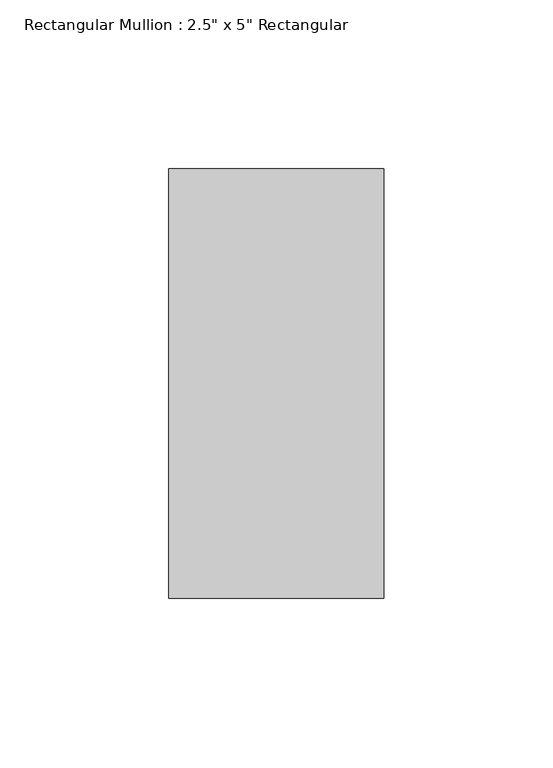
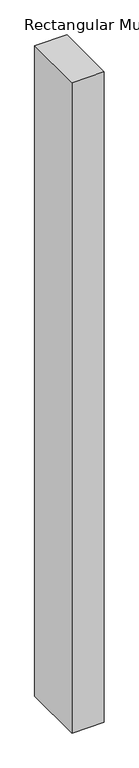
"""IFC4 building model written with IfcOpenShell, lengths in millimetres: member geometry."""

from ifc_helpers import new_model, si_unit, frame, origin, place, context, project, spatial, polyline, outline, extrude, source, transform, mapped, element, save


def member_09c83126(model_context):
    return source(origin(), model_context, "Body", "SweptSolid", [
        extrude(outline(polyline([(31.75, 63.5), (31.75, -63.5), (-31.75, -63.5), (-31.75, 63.5), (31.75, 63.5)])), frame((0.0, 0.0, -1352.55), z_axis=(0.0, 0.0, 1.0), x_axis=(1.0, 0.0, 0.0)), (0.0, 0.0, 1.0), 1352.55),
    ])


if __name__ == "__main__":
    model = new_model("IFC4")
    model_context = context("Model", 3, world=origin())
    ifc_project = project(units=[si_unit("LENGTHUNIT", "METRE", prefix="MILLI")], contexts=[model_context])
    site = spatial("IfcSite", under=ifc_project)
    building = spatial("IfcBuilding", under=site)
    placement = place(None, origin())
    member_shape = member_09c83126(model_context)
    element("IfcMember", 1, ObjectType="Rectangular Mullion : 2.5\" x 5\" Rectangular", at=placement, inside=building, context=model_context, shape_type="MappedRepresentation", body=[
        mapped(member_shape, transform((0.0, 0.0, 0.0), x_axis=(1.0, 0.0, 0.0), y_axis=(0.0, 1.0, 0.0), z_axis=(0.0, 0.0, 1.0))),
    ])
    save(model, "model.ifc")
